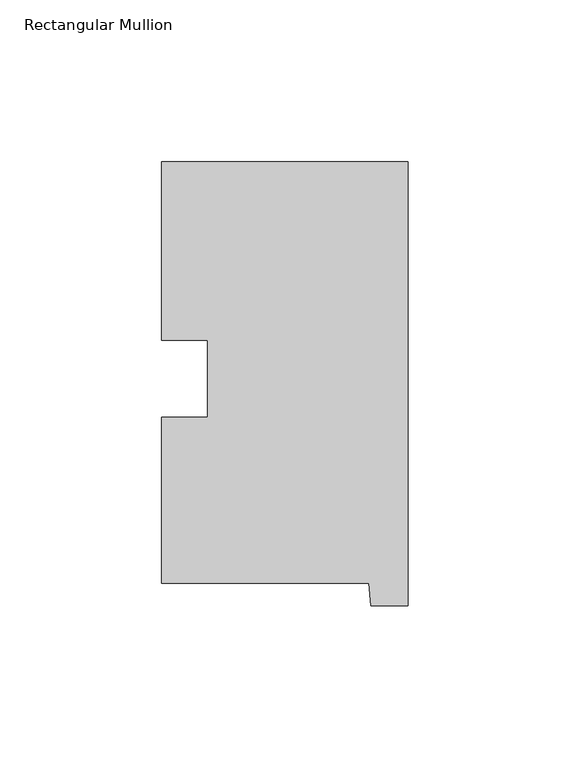
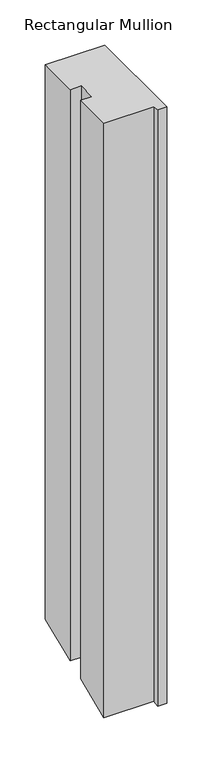
"""IFC4 building model written with IfcOpenShell, lengths in millimetres: member geometry, Rectangular Mullion."""

from ifc_helpers import new_model, si_unit, origin, place, context, project, spatial, faceted_brep, source, transform, mapped, element, save


def rectangular_mullion_397b2a4a(model_context):
    return source(origin(), model_context, "Body", "Brep", [
        faceted_brep([(-76.2, 130.56235, 0.0), (-76.2, 75.40625, 0.0), (-61.960125, 75.40625, 0.0), (-61.960125, 51.60645, 0.0), (-76.2, 51.60645, 0.0), (-76.2, 0.26035, 0.0), (-12.1549448, 0.26035, 0.0), (-11.4023812, -6.64845, 0.0), (0.0, -6.64845, 0.0), (0.0, 130.56235, 0.0), (-76.2, 130.56235, -749.9661148), (-76.2, 75.40625, -772.8125195), (-61.960125, 75.40625, -772.8125195), (-61.960125, 51.60645, -782.6707194), (-76.2, 51.60645, -782.6707194), (-76.2, 0.26035, -803.9389704), (-12.1549448, 0.26035, -803.9389704), (-11.4023812, -6.64845, -806.8006891), (0.0, -6.64845, -806.8006891), (0.0, 130.56235, -749.9661148)], [[[0, 1, 2, 3, 4, 5, 6, 7, 8, 9]], [[1, 0, 10, 11]], [[2, 1, 11, 12]], [[3, 2, 12, 13]], [[4, 3, 13, 14]], [[5, 4, 14, 15]], [[6, 5, 15, 16]], [[7, 6, 16, 17]], [[8, 7, 17, 18]], [[9, 8, 18, 19]], [[0, 9, 19, 10]], [[10, 19, 18, 17, 16, 15, 14, 13, 12, 11]]]),
    ])


if __name__ == "__main__":
    model = new_model("IFC4")
    model_context = context("Model", 3, world=origin())
    ifc_project = project(units=[si_unit("LENGTHUNIT", "METRE", prefix="MILLI")], contexts=[model_context])
    site = spatial("IfcSite", under=ifc_project)
    building = spatial("IfcBuilding", under=site)
    placement = place(None, origin())
    rectangular_mullion_shape = rectangular_mullion_397b2a4a(model_context)
    element("IfcMember", 1, ObjectType="Rectangular Mullion", at=placement, inside=building, context=model_context, shape_type="MappedRepresentation", body=[
        mapped(rectangular_mullion_shape, transform((0.0, 0.0, 0.0), x_axis=(1.0, 0.0, 0.0), y_axis=(0.0, 1.0, 0.0), z_axis=(0.0, 0.0, 1.0))),
    ])
    save(model, "model.ifc")
